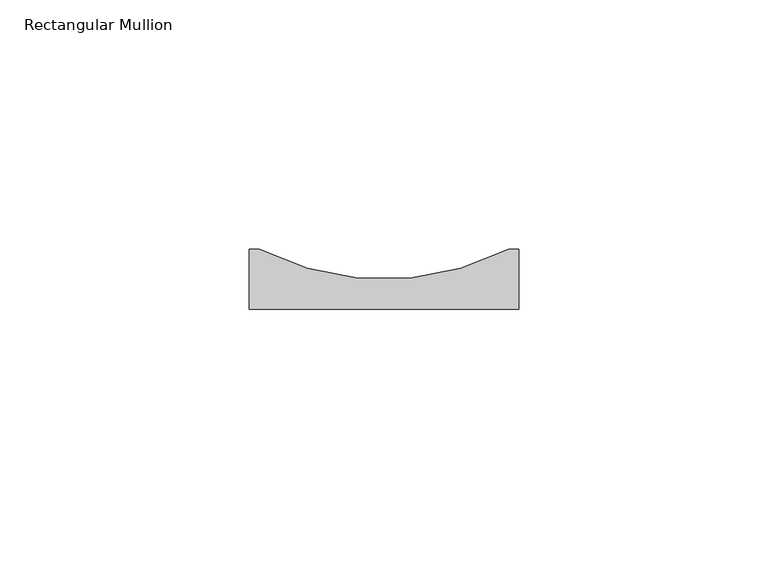
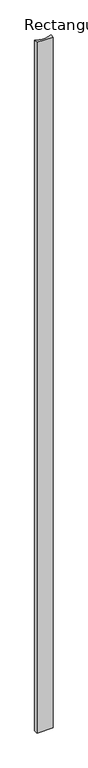
"""IFC4 building model written with IfcOpenShell, lengths in millimetres: member geometry, Rectangular Mullion."""

from ifc_helpers import new_model, si_unit, point, frame, frame_2d, origin, place, context, project, spatial, polyline, circle_curve, trimmed, segment, composite_curve, outline, extrude, source, transform, mapped, element, save


def rectangular_mullion_d8a66019(model_context):
    return source(origin(), model_context, "Body", "SweptSolid", [
        extrude(outline(composite_curve([segment(polyline([(-27.0, 12.0), (-25.0, 12.0)]), True, "CONTINUOUS"), segment(trimmed(circle_curve(frame_2d((0.0, 61.0833333)), 55.0833333), [point((-25.0, 12.0))], [point((25.0, 12.0))], True, "CARTESIAN"), True, "CONTINUOUS"), segment(polyline([(25.0, 12.0), (27.0, 12.0), (27.0, 0.0), (-27.0, 0.0), (-27.0, 12.0)]), True, "CONTINUOUS")], self_intersect=False)), frame((0.0, 0.0, -2400.0), z_axis=(0.0, 0.0, 1.0), x_axis=(1.0, 0.0, 0.0)), (0.0, 0.0, 1.0), 2400.0),
    ])


if __name__ == "__main__":
    model = new_model("IFC4")
    model_context = context("Model", 3, world=origin())
    ifc_project = project(units=[si_unit("LENGTHUNIT", "METRE", prefix="MILLI")], contexts=[model_context])
    site = spatial("IfcSite", under=ifc_project)
    building = spatial("IfcBuilding", under=site)
    placement = place(None, origin())
    rectangular_mullion_shape = rectangular_mullion_d8a66019(model_context)
    element("IfcMember", 1, ObjectType="Rectangular Mullion", at=placement, inside=building, context=model_context, shape_type="MappedRepresentation", body=[
        mapped(rectangular_mullion_shape, transform((0.0, 0.0, 0.0), x_axis=(1.0, 0.0, 0.0), y_axis=(0.0, 1.0, 0.0), z_axis=(0.0, 0.0, 1.0))),
    ])
    save(model, "model.ifc")
